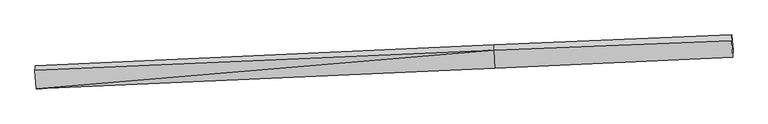
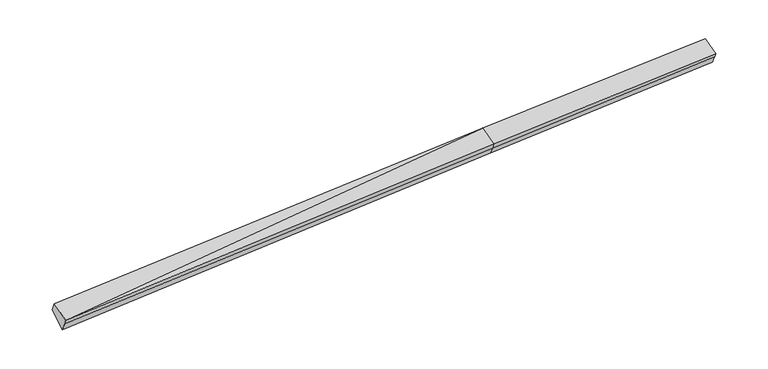
"""IFC4 building model written with IfcOpenShell, lengths in millimetres: proxy geometry."""

from ifc_helpers import new_model, si_unit, frame, origin, place, context, project, spatial, source, transform, mapped, element, save
from ifc_brep_helpers import plane_surface, spline_surface, advanced_brep


def generic_models_e355ffca(model_context):
    return source(origin(), model_context, "Body", "AdvancedBrep", [
        advanced_brep(
        [(-13667.9272749, -2555.7115051, 1411.9248251), (-13662.6061565, -2477.6204564, 1221.7214955), (2623.524261, -1754.9261389, 1984.86889), (2618.2031426, -1833.0171876, 2175.0722197), (-13708.9565425, -1899.6082793, 1680.1507678), (2577.7517521, -1186.1548523, 2439.5203322), (-13700.27131, -1745.5641124, 1344.3796445), (2584.414415, -999.7675687, 2116.9716145), (-13654.4463618, -2313.565818, 887.853764), (2630.2393632, -1567.7692743, 1660.445734), (11021.5688174, -647.4468269, 2519.2872484), (11018.4120857, -862.1295113, 2792.4691883), (11055.1072757, -1448.9260583, 2552.576972), (11059.978462, -1377.4380704, 2378.4564608), (11067.3937656, -1215.4485325, 2062.7613679)],
        [
            (0, 1),
            (1, 2),
            (2, 3),
            (3, 0),
            (4, 0),
            (0, 5),
            (5, 4),
            (6, 4),
            (5, 7),
            (7, 6),
            (8, 6),
            (7, 9),
            (9, 8),
            (1, 8),
            (9, 2),
            (10, 11),
            (11, 12),
            (12, 13),
            (13, 14),
            (14, 10),
            (3, 5),
            (5, 11),
            (10, 7),
            (3, 12),
            (2, 13),
            (9, 14),
        ],
        [
            plane_surface(frame((-13665.2667157, -2516.6659807, 1316.8231603), z_axis=(0.0587049495325111, -0.9240485258565605, -0.37774071896302486), x_axis=(0.025870991094996753, 0.379674471289693, -0.9247583401465783))),
            plane_surface(frame((-13688.4419087, -2227.6598922, 1546.0377964), z_axis=(-0.026482501824459735, -0.37970115615927014, 0.9247300736476732), x_axis=(0.057787700777383315, -0.9240890503893983, -0.37778301786777535))),
            spline_surface(1, 1, [[(-13700.27131, -1745.5641124, 1344.3796445), (2584.414415, -999.7675687, 2116.9716145)], [(-13708.9565425, -1899.6082793, 1680.1507678), (2577.7517521, -1186.1548523, 2439.5203322)]], [2, 2], [2, 2], [0.0, 1.0], [0.0, 1.0]),
            plane_surface(frame((-13677.3588359, -2029.5649652, 1116.1167042), z_axis=(0.008254081924900326, 0.626854244202873, -0.7790928228756973), x_axis=(-0.06275966816494566, 0.7779081043532964, 0.6252361195846631))),
            spline_surface(1, 1, [[(-13662.6061565, -2477.6204564, 1221.7214955), (2623.524261, -1754.9261389, 1984.86889)], [(-13654.4463618, -2313.565818, 887.853764), (2630.2393632, -1567.7692743, 1660.445734)]], [2, 2], [2, 2], [0.0, 1.0], [0.0, 1.0]),
            plane_surface(frame((11044.4920813, -1110.2777999, 2461.1102475), z_axis=(0.9979936239568993, 0.043666037160673514, 0.045847614333330525), x_axis=(-0.009085220804752764, -0.6178667528410181, 0.7862303317073345))),
            plane_surface(frame((-13678.8415292, -2198.4140343, 1309.2060994), z_axis=(-0.9979936239568994, -0.04366603716067398, -0.04584761433332745), x_axis=(-0.025870991095017826, -0.37967447128969056, 0.9247583401465788))),
            plane_surface(frame((-13667.9272749, -2555.7115051, 1411.9248251), z_axis=(-0.026482501824458406, -0.3797011561592823, 0.9247300736476683), x_axis=(0.057787700777386694, -0.9240890503893932, -0.3777830178677874))),
            spline_surface(1, 1, [[(2584.414415, -999.7675687, 2116.9716145), (11021.5688174, -647.4468269, 2519.2872484)], [(2577.7517521, -1186.1548523, 2439.5203322), (11018.4120857, -862.1295113, 2792.4691883)]], [2, 2], [2, 2], [0.0, 1.0], [0.0, 1.0]),
            plane_surface(frame((2597.9774473, -1509.58602, 2307.2962759), z_axis=(-0.02410021679024331, -0.3795963972941908, 0.9248382316448291), x_axis=(0.05778770077738407, -0.924089050389398, -0.37778301786777596))),
            plane_surface(frame((2620.8637018, -1793.9716632, 2079.9705549), z_axis=(0.058968150437236216, -0.9240367529570573, -0.377728522114216), x_axis=(0.025870991095026476, 0.3796744712896918, -0.9247583401465781))),
            spline_surface(1, 1, [[(2623.524261, -1754.9261389, 1984.86889), (11059.978462, -1377.4380704, 2378.4564608)], [(2630.2393632, -1567.7692743, 1660.445734), (11067.3937656, -1215.4485325, 2062.7613679)]], [2, 2], [2, 2], [0.0, 1.0], [0.0, 1.0]),
            plane_surface(frame((2607.3268891, -1283.7684215, 1888.7086743), z_axis=(0.010962859096801232, 0.626970642506515, -0.7789657432489515), x_axis=(-0.06275966816494488, 0.7779081043532965, 0.6252361195846627))),
        ],
        [
            (0, [[1, 2, 3, 4]]),
            (1, [[5, 6, 7]]),
            (2, [[8, -7, 9, 10]]),
            (3, [[11, -10, 12, 13]]),
            (4, [[14, -13, 15, -2]]),
            (5, [[16, 17, 18, 19, 20]]),
            (6, [[-1, -5, -8, -11, -14]]),
            (7, [[21, -6, -4]]),
            (8, [[-9, 22, -16, 23]]),
            (9, [[-21, 24, -17, -22]]),
            (10, [[-3, 25, -18, -24]]),
            (11, [[-15, 26, -19, -25]]),
            (12, [[-12, -23, -20, -26]]),
        ],
    ),
    ])


if __name__ == "__main__":
    model = new_model("IFC4")
    model_context = context("Model", 3, world=origin())
    ifc_project = project(units=[si_unit("LENGTHUNIT", "METRE", prefix="MILLI")], contexts=[model_context])
    site = spatial("IfcSite", under=ifc_project)
    building = spatial("IfcBuilding", under=site)
    placement = place(None, origin())
    generic_models_shape = generic_models_e355ffca(model_context)
    element("IfcBuildingElementProxy", 1, Name="Generic Models", at=placement, inside=building, context=model_context, shape_type="MappedRepresentation", body=[
        mapped(generic_models_shape, transform((0.0, 0.0, 0.0), x_axis=(1.0, 0.0, 0.0), y_axis=(0.0, 1.0, 0.0), z_axis=(0.0, 0.0, 1.0))),
    ])
    save(model, "model.ifc")
